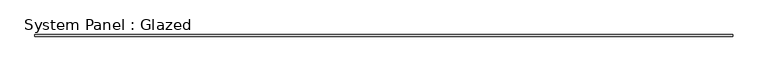
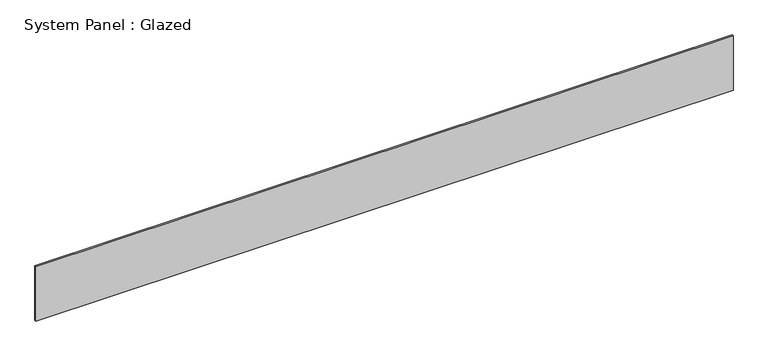
"""IFC4 building model written with IfcOpenShell, lengths in millimetres: plate geometry, System Panel : Glazed."""

from ifc_helpers import new_model, si_unit, origin, origin_with_axes, place, context, project, spatial, polyline, outline, extrude, source, transform, mapped, element, save


def system_panel_glazed_34d5ed9e(model_context):
    return source(origin(), model_context, "Body", "SweptSolid", [
        extrude(outline(polyline([(5460.8881445, 24.5), (-5460.8881445, 24.5), (-5460.8881445, 49.5), (5460.8881445, 49.5), (5460.8881445, 24.5)])), origin_with_axes(), (0.0, 0.0, 1.0), 900.0),
    ])


if __name__ == "__main__":
    model = new_model("IFC4")
    model_context = context("Model", 3, world=origin())
    ifc_project = project(units=[si_unit("LENGTHUNIT", "METRE", prefix="MILLI")], contexts=[model_context])
    site = spatial("IfcSite", under=ifc_project)
    building = spatial("IfcBuilding", under=site)
    placement = place(None, origin())
    system_panel_glazed_shape = system_panel_glazed_34d5ed9e(model_context)
    element("IfcPlate", 1, ObjectType="System Panel : Glazed", at=placement, inside=building, context=model_context, shape_type="MappedRepresentation", body=[
        mapped(system_panel_glazed_shape, transform((0.0, 0.0, 0.0), x_axis=(1.0, 0.0, 0.0), y_axis=(0.0, 1.0, 0.0), z_axis=(0.0, 0.0, 1.0))),
    ])
    save(model, "model.ifc")
